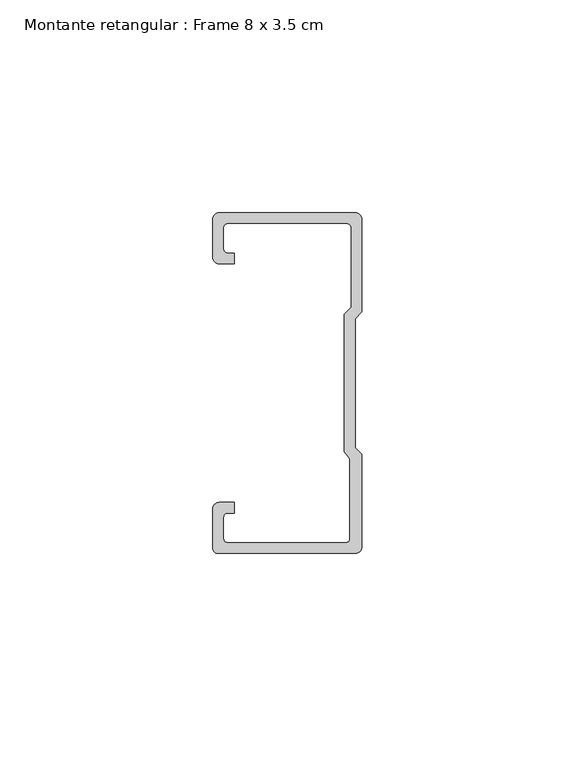
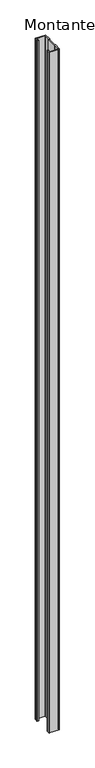
"""IFC4 building model written with IfcOpenShell, lengths in millimetres: member geometry, Montante retangular : Frame 8 x 3.5 cm."""

from ifc_helpers import new_model, si_unit, point, frame, frame_2d, origin, place, context, project, spatial, polyline, circle_curve, trimmed, segment, composite_curve, outline, extrude, source, transform, mapped, element, save


def montante_retangular_frame_8_x_3_5_cm_df6adade(model_context):
    return source(origin(), model_context, "Body", "SweptSolid", [
        extrude(outline(composite_curve([segment(polyline([(-35.0, 29.5276505), (-35.0, 38.5)]), True, "CONTINUOUS"), segment(trimmed(circle_curve(frame_2d((-33.5, 38.5)), 1.5), [point((-35.0, 38.5))], [point((-33.5, 40.0))], False, "CARTESIAN"), True, "CONTINUOUS"), segment(polyline([(-33.5, 40.0), (-1.5, 40.0)]), True, "CONTINUOUS"), segment(trimmed(circle_curve(frame_2d((-1.5, 38.5)), 1.5), [point((-1.5, 40.0))], [point((0.0, 38.5))], False, "CARTESIAN"), True, "CONTINUOUS"), segment(polyline([(0.0, 38.5), (0.0, 16.7622662), (-1.5877131, 15.174553), (-1.5877131, -15.174553), (0.0, -16.7622662), (0.0, -38.5)]), True, "CONTINUOUS"), segment(trimmed(circle_curve(frame_2d((-1.5, -38.5)), 1.5), [point((0.0, -38.5))], [point((-1.5, -40.0))], False, "CARTESIAN"), True, "CONTINUOUS"), segment(polyline([(-1.5, -40.0), (-33.8171833, -40.0)]), True, "CONTINUOUS"), segment(trimmed(circle_curve(frame_2d((-33.8171833, -38.8171833)), 1.1828167), [point((-33.8171833, -40.0))], [point((-35.0, -38.8171833))], False, "CARTESIAN"), True, "CONTINUOUS"), segment(polyline([(-35.0, -38.8171833), (-35.0, -29.5276505)]), True, "CONTINUOUS"), segment(trimmed(circle_curve(frame_2d((-33.5, -29.5276505)), 1.5), [point((-35.0, -29.5276505))], [point((-33.5, -28.0276505))], False, "CARTESIAN"), True, "CONTINUOUS"), segment(polyline([(-33.5, -28.0276505), (-30.0162256, -28.0276505), (-30.0162256, -30.5276505), (-31.5, -30.5276505)]), True, "CONTINUOUS"), segment(trimmed(circle_curve(frame_2d((-31.5, -31.5276505)), 1.0), [point((-31.5, -30.5276505))], [point((-32.5, -31.5276505))], True, "CARTESIAN"), True, "CONTINUOUS"), segment(polyline([(-32.5, -31.5276505), (-32.5, -36.5)]), True, "CONTINUOUS"), segment(trimmed(circle_curve(frame_2d((-31.5, -36.5)), 1.0), [point((-32.5, -36.5))], [point((-31.5, -37.5))], True, "CARTESIAN"), True, "CONTINUOUS"), segment(polyline([(-31.5, -37.5), (-3.807214, -37.5)]), True, "CONTINUOUS"), segment(trimmed(circle_curve(frame_2d((-3.807214, -36.5)), 1.0), [point((-3.807214, -37.5))], [point((-2.807214, -36.5))], True, "CARTESIAN"), True, "CONTINUOUS"), segment(polyline([(-2.807214, -36.5), (-2.807214, -17.7671948), (-4.0877131, -16.1794816), (-4.0877131, 16.2100869), (-2.5, 17.7978001), (-2.5, 36.5)]), True, "CONTINUOUS"), segment(trimmed(circle_curve(frame_2d((-3.5, 36.5)), 1.0), [point((-2.5, 36.5))], [point((-3.5, 37.5))], True, "CARTESIAN"), True, "CONTINUOUS"), segment(polyline([(-3.5, 37.5), (-31.5, 37.5)]), True, "CONTINUOUS"), segment(trimmed(circle_curve(frame_2d((-31.5, 36.5)), 1.0), [point((-31.5, 37.5))], [point((-32.5, 36.5))], True, "CARTESIAN"), True, "CONTINUOUS"), segment(polyline([(-32.5, 36.5), (-32.5, 31.5276505)]), True, "CONTINUOUS"), segment(trimmed(circle_curve(frame_2d((-31.5, 31.5276505)), 1.0), [point((-32.5, 31.5276505))], [point((-31.5, 30.5276505))], True, "CARTESIAN"), True, "CONTINUOUS"), segment(polyline([(-31.5, 30.5276505), (-30.0162256, 30.5276505), (-30.0162256, 28.0276505), (-33.5, 28.0276505)]), True, "CONTINUOUS"), segment(trimmed(circle_curve(frame_2d((-33.5, 29.5276505)), 1.5), [point((-33.5, 28.0276505))], [point((-35.0, 29.5276505))], False, "CARTESIAN"), True, "CONTINUOUS")], self_intersect=False)), frame((0.0, 0.0, -2365.0), z_axis=(0.0, 0.0, 1.0), x_axis=(1.0, 0.0, 0.0)), (0.0, 0.0, 1.0), 2365.0),
    ])


if __name__ == "__main__":
    model = new_model("IFC4")
    model_context = context("Model", 3, world=origin())
    ifc_project = project(units=[si_unit("LENGTHUNIT", "METRE", prefix="MILLI")], contexts=[model_context])
    site = spatial("IfcSite", under=ifc_project)
    building = spatial("IfcBuilding", under=site)
    placement = place(None, origin())
    montante_retangular_frame_8_x_3_5_cm_shape = montante_retangular_frame_8_x_3_5_cm_df6adade(model_context)
    element("IfcMember", 1, ObjectType="Montante retangular : Frame 8 x 3.5 cm", at=placement, inside=building, context=model_context, shape_type="MappedRepresentation", body=[
        mapped(montante_retangular_frame_8_x_3_5_cm_shape, transform((0.0, 0.0, 0.0), x_axis=(1.0, 0.0, 0.0), y_axis=(0.0, 1.0, 0.0), z_axis=(0.0, 0.0, 1.0))),
    ])
    save(model, "model.ifc")
